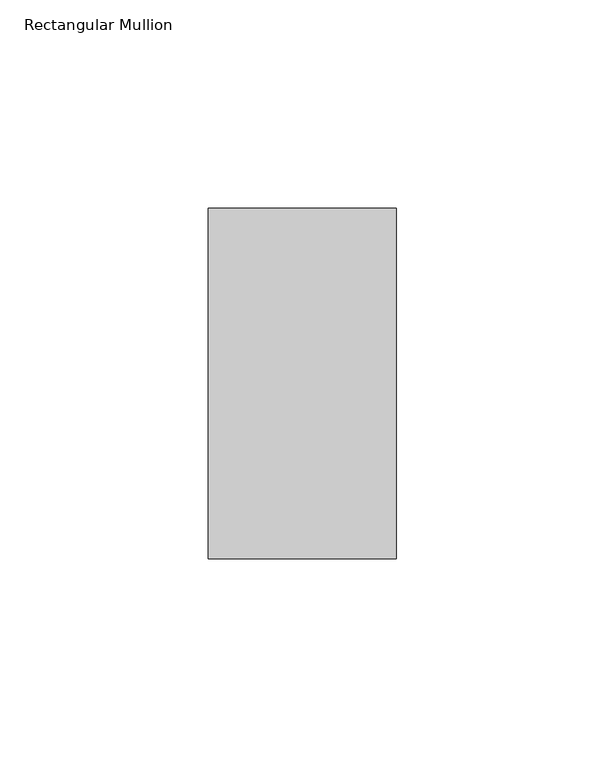
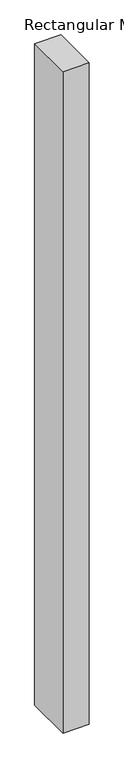
"""IFC4 building model written with IfcOpenShell, lengths in millimetres: member geometry, Rectangular Mullion."""

from ifc_helpers import new_model, si_unit, frame, origin, place, context, project, spatial, polyline, outline, extrude, source, transform, mapped, element, save


def rectangular_mullion_4c49afbc(model_context):
    return source(origin(), model_context, "Body", "SweptSolid", [
        extrude(outline(polyline([(0.0, 42.0), (0.0, -42.0), (-45.0, -42.0), (-45.0, 42.0), (0.0, 42.0)])), frame((0.0, 0.0, -1200.0), z_axis=(0.0, 0.0, 1.0), x_axis=(1.0, 0.0, 0.0)), (0.0, 0.0, 1.0), 1200.0),
    ])


if __name__ == "__main__":
    model = new_model("IFC4")
    model_context = context("Model", 3, world=origin())
    ifc_project = project(units=[si_unit("LENGTHUNIT", "METRE", prefix="MILLI")], contexts=[model_context])
    site = spatial("IfcSite", under=ifc_project)
    building = spatial("IfcBuilding", under=site)
    placement = place(None, origin())
    rectangular_mullion_shape = rectangular_mullion_4c49afbc(model_context)
    element("IfcMember", 1, ObjectType="Rectangular Mullion", at=placement, inside=building, context=model_context, shape_type="MappedRepresentation", body=[
        mapped(rectangular_mullion_shape, transform((0.0, 0.0, 0.0), x_axis=(1.0, 0.0, 0.0), y_axis=(0.0, 1.0, 0.0), z_axis=(0.0, 0.0, 1.0))),
    ])
    save(model, "model.ifc")
